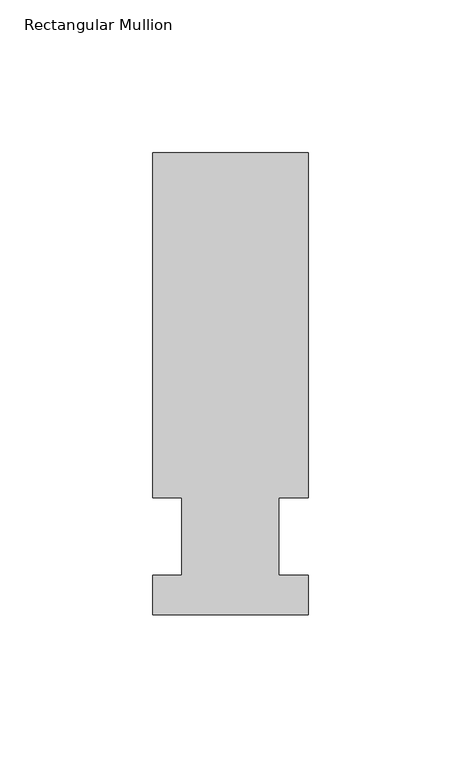
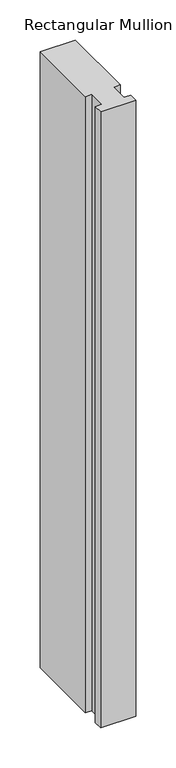
"""IFC4 building model written with IfcOpenShell, lengths in millimetres: member geometry, Rectangular Mullion."""

from ifc_helpers import new_model, si_unit, frame, origin, place, context, project, spatial, polyline, outline, extrude, source, transform, mapped, element, save


def rectangular_mullion_ba9bcf6c(model_context):
    return source(origin(), model_context, "Body", "SweptSolid", [
        extrude(outline(polyline([(-25.4, -25.58415), (-25.4, -12.7), (-15.875, -12.7), (-15.875, 12.7), (-25.4, 12.7), (-25.4, 125.59665), (25.4, 125.59665), (25.4, 12.7), (15.875, 12.7), (15.875, -12.7), (25.4, -12.7), (25.4, -25.58415), (-25.4, -25.58415)])), frame((0.0, 0.0, -939.8), z_axis=(0.0, 0.0, 1.0), x_axis=(1.0, 0.0, 0.0)), (0.0, 0.0, 1.0), 939.8),
    ])


if __name__ == "__main__":
    model = new_model("IFC4")
    model_context = context("Model", 3, world=origin())
    ifc_project = project(units=[si_unit("LENGTHUNIT", "METRE", prefix="MILLI")], contexts=[model_context])
    site = spatial("IfcSite", under=ifc_project)
    building = spatial("IfcBuilding", under=site)
    placement = place(None, origin())
    rectangular_mullion_shape = rectangular_mullion_ba9bcf6c(model_context)
    element("IfcMember", 1, ObjectType="Rectangular Mullion", at=placement, inside=building, context=model_context, shape_type="MappedRepresentation", body=[
        mapped(rectangular_mullion_shape, transform((0.0, 0.0, 0.0), x_axis=(1.0, 0.0, 0.0), y_axis=(0.0, 1.0, 0.0), z_axis=(0.0, 0.0, 1.0))),
    ])
    save(model, "model.ifc")
